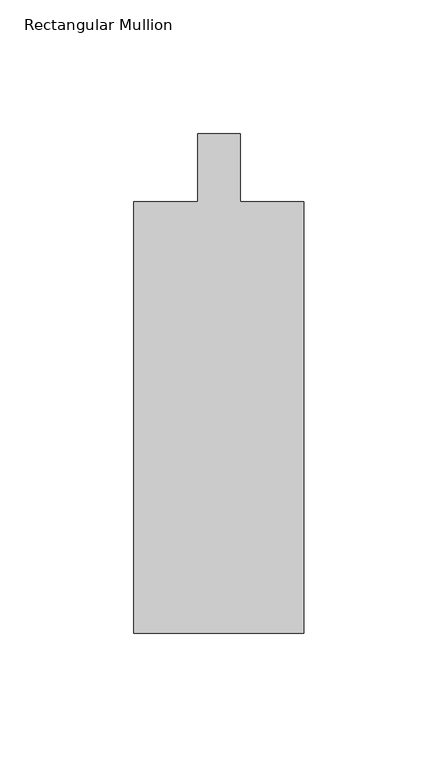
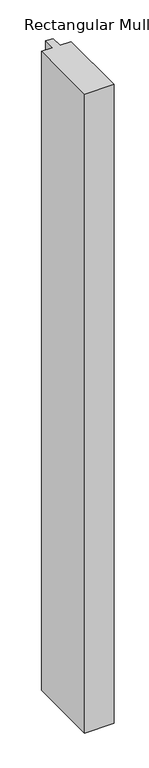
"""IFC4 building model written with IfcOpenShell, lengths in millimetres: member geometry, Rectangular Mullion."""

from ifc_helpers import new_model, si_unit, frame, origin, place, context, project, spatial, polyline, outline, extrude, source, transform, mapped, element, save


def rectangular_mullion_45d3e521(model_context):
    return source(origin(), model_context, "Body", "SweptSolid", [
        extrude(outline(polyline([(-31.75, -173.83125), (-31.75, -12.7), (-7.9375, -12.7), (-7.9375, 12.7), (7.9375, 12.7), (7.9375, -12.7), (31.75, -12.7), (31.75, -173.83125), (-31.75, -173.83125)])), frame((0.0, 0.0, -1460.5), z_axis=(0.0, 0.0, 1.0), x_axis=(1.0, 0.0, 0.0)), (0.0, 0.0, 1.0), 1460.5),
    ])


if __name__ == "__main__":
    model = new_model("IFC4")
    model_context = context("Model", 3, world=origin())
    ifc_project = project(units=[si_unit("LENGTHUNIT", "METRE", prefix="MILLI")], contexts=[model_context])
    site = spatial("IfcSite", under=ifc_project)
    building = spatial("IfcBuilding", under=site)
    placement = place(None, origin())
    rectangular_mullion_shape = rectangular_mullion_45d3e521(model_context)
    element("IfcMember", 1, ObjectType="Rectangular Mullion", at=placement, inside=building, context=model_context, shape_type="MappedRepresentation", body=[
        mapped(rectangular_mullion_shape, transform((0.0, 0.0, 0.0), x_axis=(1.0, 0.0, 0.0), y_axis=(0.0, 1.0, 0.0), z_axis=(0.0, 0.0, 1.0))),
    ])
    save(model, "model.ifc")
